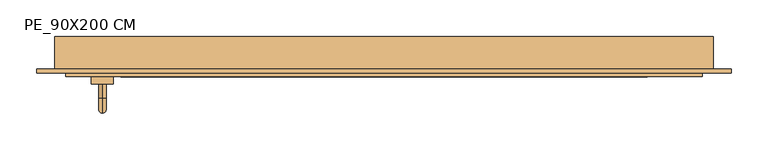
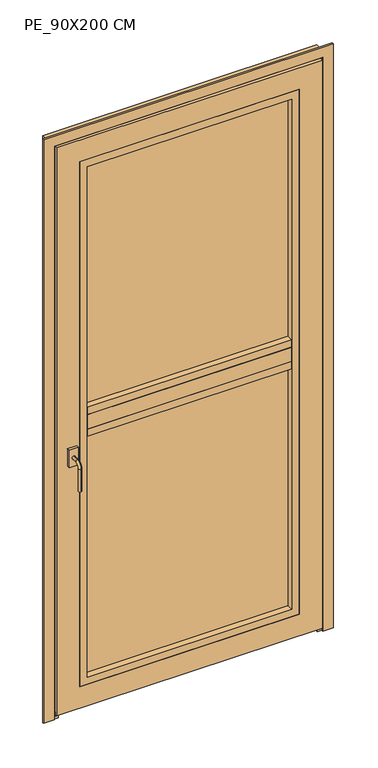
"""IFC4 building model written with IfcOpenShell, lengths in millimetres: door geometry, PE_90X200 CM."""

from ifc_helpers import new_model, si_unit, point, frame, origin, place, context, project, spatial, polyline, circle_curve, ellipse_curve, trimmed, outline, extrude, faceted_brep, source, transform, mapped, element, save
from ifc_brep_helpers import plane_surface, cylinder_surface, revolved_surface, advanced_brep


def pe_90x200_cm_774f3298(model_context):
    return source(origin(), model_context, "Body", "SolidModel", [
        advanced_brep(
        [(-385.0, -170.0, 905.0), (-385.0, -170.0, 895.0), (-385.0, -189.0, 895.0), (-385.0, -189.0, 905.0), (-385.0, -200.0, 884.0), (-385.0, -210.0, 884.0), (-385.0, -210.0, 805.0), (-385.0, -200.0, 805.0), (-400.0, -170.0, 930.0), (-400.0, -170.0, 870.0), (-370.0, -170.0, 870.0), (-370.0, -170.0, 930.0), (-400.0, -160.0, 930.0), (-370.0, -160.0, 930.0), (-370.0, -160.0, 870.0), (-400.0, -160.0, 870.0)],
        [
            (0, 1, circle_curve(frame((-385.0, -170.0, 900.0), z_axis=(0.0, -1.0, 0.0), x_axis=(0.0, 0.0, -1.0)), 5.0)),
            (1, 2),
            (2, 3, circle_curve(frame((-385.0, -189.0, 900.0), z_axis=(0.0, 1.0, 0.0), x_axis=(0.0, 0.0, -1.0)), 5.0)),
            (3, 0),
            (3, 2, circle_curve(frame((-385.0, -189.0, 900.0), z_axis=(0.0, 1.0, 0.0), x_axis=(0.0, 0.0, -1.0)), 5.0)),
            (1, 0, circle_curve(frame((-385.0, -170.0, 900.0), z_axis=(0.0, -1.0, 0.0), x_axis=(0.0, 0.0, -1.0)), 5.0)),
            (2, 4, circle_curve(frame((-385.0, -189.0, 884.0), z_axis=(1.0, 0.0, 0.0), x_axis=(0.0, 0.0, 1.0)), 11.0)),
            (4, 5, circle_curve(frame((-385.0, -205.0, 884.0), z_axis=(0.0, 0.0, 1.0), x_axis=(0.0, 1.0, 0.0)), 5.0)),
            (5, 3, circle_curve(frame((-385.0, -189.0, 884.0), z_axis=(-1.0, 0.0, 0.0), x_axis=(0.0, 0.0, 1.0)), 21.0)),
            (5, 4, circle_curve(frame((-385.0, -205.0, 884.0), z_axis=(0.0, 0.0, 1.0), x_axis=(0.0, 1.0, 0.0)), 5.0)),
            (6, 7, circle_curve(frame((-385.0, -205.0, 805.0), z_axis=(0.0, 0.0, -1.0), x_axis=(0.0, 1.0, 0.0)), 5.0)),
            (7, 6, circle_curve(frame((-385.0, -205.0, 805.0), z_axis=(0.0, 0.0, -1.0), x_axis=(0.0, 1.0, 0.0)), 5.0)),
            (4, 7),
            (6, 5),
            (8, 9),
            (9, 10),
            (10, 11),
            (11, 8),
            (12, 13),
            (13, 14),
            (14, 15),
            (15, 12),
            (11, 13),
            (12, 8),
            (10, 14),
            (9, 15),
        ],
        [
            cylinder_surface(frame((-385.0, -170.0, 900.0), z_axis=(0.0, 1.0, 0.0), x_axis=(0.0, 0.0, -1.0)), 5.0),
            revolved_surface(trimmed(ellipse_curve(frame((-385.0, -189.0, 900.0), z_axis=(0.0, -1.0, 0.0), x_axis=(0.0, 0.0, -1.0)), 5.0, 5.0), [point((-385.0, -189.0, 905.0))], [point((-385.0, -189.0, 895.0))], True, "CARTESIAN"), (-385.0, -189.0, 884.0), (-1.0, 0.0, 0.0)),
            revolved_surface(trimmed(ellipse_curve(frame((-385.0, -189.0, 900.0), z_axis=(0.0, -1.0, 0.0), x_axis=(0.0, 0.0, -1.0)), 5.0, 5.0), [point((-385.0, -189.0, 895.0))], [point((-385.0, -189.0, 905.0))], True, "CARTESIAN"), (-385.0, -189.0, 884.0), (-1.0, 0.0, 0.0)),
            plane_surface(frame((-385.0, -205.0, 805.0), z_axis=(0.0, 0.0, -1.0), x_axis=(-1.0, 0.0, 0.0))),
            cylinder_surface(frame((-385.0, -205.0, 884.0), z_axis=(0.0, 0.0, 1.0), x_axis=(0.0, 1.0, 0.0)), 5.0),
            plane_surface(frame((-370.0, -170.0, 930.0), z_axis=(0.0, -1.0, 0.0), x_axis=(1.0, 0.0, 0.0))),
            plane_surface(frame((-370.0, -160.0, 930.0), z_axis=(0.0, 1.0, 0.0), x_axis=(-1.0, 0.0, 0.0))),
            plane_surface(frame((-400.0, -170.0, 930.0), z_axis=(0.0, 0.0, 1.0), x_axis=(0.0, 1.0, 0.0))),
            plane_surface(frame((-370.0, -170.0, 930.0), z_axis=(1.0, 0.0, 0.0), x_axis=(0.0, 1.0, 0.0))),
            plane_surface(frame((-370.0, -170.0, 870.0), z_axis=(0.0, 0.0, -1.0), x_axis=(0.0, 1.0, 0.0))),
            plane_surface(frame((-400.0, -170.0, 870.0), z_axis=(-1.0, 0.0, 0.0), x_axis=(0.0, 1.0, 0.0))),
        ],
        [
            (0, [[1, 2, 3, 4]]),
            (0, [[5, -2, 6, -4]]),
            (1, [[7, 8, 9, -3]]),
            (2, [[-9, 10, -7, -5]]),
            (3, [[11, 12]]),
            (4, [[13, -11, 14, -8]]),
            (4, [[-14, -12, -13, -10]]),
            (5, [[15, 16, 17, 18], [-6, -1]]),
            (6, [[19, 20, 21, 22]]),
            (7, [[23, -19, 24, -18]]),
            (8, [[25, -20, -23, -17]]),
            (9, [[26, -21, -25, -16]]),
            (10, [[-24, -22, -26, -15]]),
        ],
    ),
        extrude(outline(polyline([(-150.0, 23.0), (-125.0, 23.0), (-125.0, 8.0), (-130.0, 8.0), (-130.0, 13.0), (-145.0, 13.0), (-145.0, 8.0), (-150.0, 8.0), (-150.0, 23.0)])), frame((-435.0, 0.0, 0.0), z_axis=(1.0, 0.0, 0.0), x_axis=(0.0, 1.0, 0.0)), (0.0, 0.0, 1.0), 870.0),
        faceted_brep([(435.0, -115.0, 40.0), (435.0, -125.0, 40.0), (435.0, -125.0, 15.0), (435.0, -115.0, 15.0), (-435.0, -115.0, 40.0), (-435.0, -115.0, 15.0), (-435.0, -125.0, 15.0), (-435.0, -125.0, 40.0), (-410.0, -115.0, 40.0), (-410.0, -115.0, 1960.0), (410.0, -115.0, 1960.0), (410.0, -115.0, 40.0), (-335.0, -115.0, 1885.0), (-335.0, -115.0, 115.0), (335.0, -115.0, 115.0), (335.0, -115.0, 1885.0), (410.0, -125.0, 40.0), (-410.0, -125.0, 40.0), (-435.0, -160.0, 1985.0), (435.0, -160.0, 1985.0), (435.0, -150.0, 1985.0), (-435.0, -150.0, 1985.0), (-360.0, -125.0, 1910.0), (360.0, -125.0, 1910.0), (360.0, -160.0, 1910.0), (-360.0, -160.0, 1910.0), (335.0, -125.0, 1885.0), (-335.0, -125.0, 1885.0), (-410.0, -150.0, 1960.0), (410.0, -150.0, 1960.0), (435.0, -160.0, 15.0), (435.0, -150.0, 15.0), (360.0, -125.0, 90.0), (360.0, -160.0, 90.0), (335.0, -125.0, 115.0), (410.0, -150.0, 40.0), (-435.0, -160.0, 15.0), (-435.0, -150.0, 15.0), (-360.0, -125.0, 90.0), (-360.0, -160.0, 90.0), (-335.0, -125.0, 115.0), (-410.0, -150.0, 40.0)], [[[0, 1, 2, 3]], [[4, 5, 6, 7]], [[3, 5, 4, 8, 9, 10, 11, 0], [12, 13, 14, 15]], [[2, 6, 5, 3]], [[1, 16, 17, 7, 6, 2]], [[0, 11, 16, 1]], [[7, 17, 8, 4]], [[18, 19, 20, 21]], [[22, 23, 24, 25]], [[12, 15, 26, 27]], [[28, 29, 10, 9]], [[19, 30, 31, 20]], [[23, 32, 33, 24]], [[15, 14, 34, 26]], [[29, 35, 16, 11, 10]], [[30, 36, 37, 31]], [[32, 38, 39, 33]], [[14, 13, 40, 34]], [[41, 17, 16, 35]], [[21, 37, 36, 18]], [[18, 36, 30, 19], [24, 33, 39, 25]], [[25, 39, 38, 22]], [[22, 38, 32, 23], [26, 34, 40, 27]], [[27, 40, 13, 12]], [[9, 8, 17, 41, 28]], [[20, 31, 37, 21], [28, 41, 35, 29]]]),
        extrude(outline(polyline([(-125.0, 1025.0), (-125.0, 1050.0), (-115.0, 1050.0), (-115.0, 950.0), (-125.0, 950.0), (-125.0, 975.0), (-160.0, 975.0), (-160.0, 1025.0), (-125.0, 1025.0)])), frame((-335.0, 0.0, 0.0), z_axis=(1.0, 0.0, 0.0), x_axis=(0.0, 1.0, 0.0)), (0.0, 0.0, 1.0), 670.0),
        extrude(outline(polyline([(335.0, -160.0), (-335.0, -160.0), (-335.0, -139.0), (335.0, -139.0), (335.0, -160.0)])), frame((0.0, 0.0, 1025.0), z_axis=(0.0, 0.0, 1.0), x_axis=(1.0, 0.0, 0.0)), (0.0, 0.0, 1.0), 25.0),
        extrude(outline(polyline([(335.0, -160.0), (-335.0, -160.0), (-335.0, -139.0), (335.0, -139.0), (335.0, -160.0)])), frame((0.0, 0.0, 950.0), z_axis=(0.0, 0.0, 1.0), x_axis=(1.0, 0.0, 0.0)), (0.0, 0.0, 1.0), 25.0),
        faceted_brep([(-450.0, -105.0, 0.0), (-400.0, -105.0, 0.0), (-400.0, -115.0, 0.0), (-425.0, -115.0, 0.0), (-425.0, -150.0, 0.0), (-450.0, -150.0, 0.0), (-450.0, -150.0, 2000.0), (-450.0, -105.0, 2000.0), (-425.0, -150.0, 1975.0), (425.0, -150.0, 1975.0), (425.0, -150.0, 0.0), (450.0, -150.0, 0.0), (450.0, -150.0, 2000.0), (-425.0, -115.0, 1975.0), (-400.0, -115.0, 1950.0), (400.0, -115.0, 1950.0), (400.0, -115.0, 0.0), (425.0, -115.0, 0.0), (425.0, -115.0, 1975.0), (-400.0, -105.0, 1950.0), (450.0, -105.0, 2000.0), (450.0, -105.0, 0.0), (400.0, -105.0, 0.0), (400.0, -105.0, 1950.0)], [[[0, 1, 2, 3, 4, 5]], [[5, 6, 7, 0]], [[4, 8, 9, 10, 11, 12, 6, 5]], [[3, 13, 8, 4]], [[2, 14, 15, 16, 17, 18, 13, 3]], [[1, 19, 14, 2]], [[0, 7, 20, 21, 22, 23, 19, 1]], [[6, 12, 20, 7]], [[13, 18, 9, 8]], [[19, 23, 15, 14]], [[21, 11, 10, 17, 16, 22]], [[12, 11, 21, 20]], [[18, 17, 10, 9]], [[23, 22, 16, 15]]]),
        extrude(outline(polyline([(1910.0, 360.0), (1910.0, -360.0), (90.0, -360.0), (90.0, 360.0), (1910.0, 360.0)]), holes=[polyline([(1885.0, -335.0), (1885.0, 335.0), (115.0, 335.0), (115.0, -335.0), (1885.0, -335.0)])]), frame((0.0, -160.0, 0.0), z_axis=(0.0, 1.0, 0.0), x_axis=(0.0, 0.0, 1.0)), (0.0, 0.0, 1.0), 21.0),
        extrude(outline(polyline([(0.0, -440.0), (1990.0, -440.0), (1990.0, 440.0), (0.0, 440.0), (0.0, 475.0), (2025.0, 475.0), (2025.0, -475.0), (0.0, -475.0), (0.0, -440.0)])), frame((0.0, -155.0, 0.0), z_axis=(0.0, 1.0, 0.0), x_axis=(0.0, 0.0, 1.0)), (0.0, 0.0, 1.0), 5.0),
        extrude(outline(polyline([(350.0, -139.0), (-350.0, -139.0), (-350.0, -125.0), (350.0, -125.0), (350.0, -139.0)])), frame((0.0, 0.0, 1035.0), z_axis=(0.0, 0.0, 1.0), x_axis=(1.0, 0.0, 0.0)), (0.0, 0.0, 1.0), 865.0),
        extrude(outline(polyline([(350.0, -139.0), (-350.0, -139.0), (-350.0, -125.0), (350.0, -125.0), (350.0, -139.0)])), frame((0.0, 0.0, 100.0), z_axis=(0.0, 0.0, 1.0), x_axis=(1.0, 0.0, 0.0)), (0.0, 0.0, 1.0), 865.0),
    ])


if __name__ == "__main__":
    model = new_model("IFC4")
    model_context = context("Model", 3, world=origin())
    ifc_project = project(units=[si_unit("LENGTHUNIT", "METRE", prefix="MILLI")], contexts=[model_context])
    site = spatial("IfcSite", under=ifc_project)
    building = spatial("IfcBuilding", under=site)
    placement = place(None, origin())
    pe_90x200_cm_shape = pe_90x200_cm_774f3298(model_context)
    element("IfcDoor", 1, ObjectType="PE_90X200 CM", at=placement, inside=building, context=model_context, shape_type="MappedRepresentation", body=[
        mapped(pe_90x200_cm_shape, transform((0.0, 0.0, 0.0), x_axis=(1.0, 0.0, 0.0), y_axis=(0.0, 1.0, 0.0), z_axis=(0.0, 0.0, 1.0))),
    ])
    save(model, "model.ifc")
